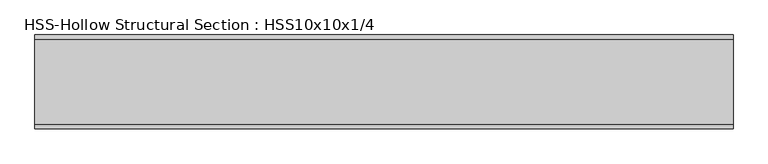
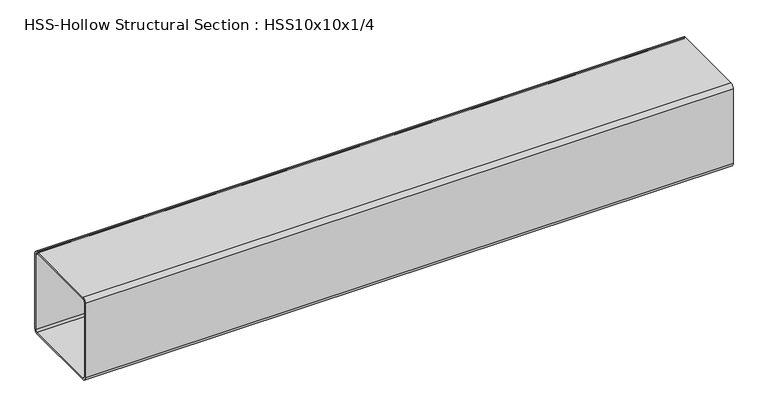
"""IFC4 building model written with IfcOpenShell, lengths in millimetres: beam geometry, HSS-Hollow Structural Section : HSS10x10x1/4."""

from ifc_helpers import new_model, si_unit, point, frame, frame_2d, origin, place, context, project, spatial, polyline, circle_curve, trimmed, segment, composite_curve, outline, extrude, source, transform, mapped, element, save


def hss_hollow_structural_section_hss10x10x1_4_11012b95(model_context):
    return source(origin(), model_context, "Body", "SweptSolid", [
        extrude(outline(composite_curve([segment(polyline([(127.0, 115.1636), (127.0, -115.1636)]), True, "CONTINUOUS"), segment(trimmed(circle_curve(frame_2d((115.1636, -115.1636)), 11.8364), [point((127.0, -115.1636))], [point((115.1636, -127.0))], False, "CARTESIAN"), True, "CONTINUOUS"), segment(polyline([(115.1636, -127.0), (-115.1636, -127.0)]), True, "CONTINUOUS"), segment(trimmed(circle_curve(frame_2d((-115.1636, -115.1636)), 11.8364), [point((-115.1636, -127.0))], [point((-127.0, -115.1636))], False, "CARTESIAN"), True, "CONTINUOUS"), segment(polyline([(-127.0, -115.1636), (-127.0, 115.1636)]), True, "CONTINUOUS"), segment(trimmed(circle_curve(frame_2d((-115.1636, 115.1636)), 11.8364), [point((-127.0, 115.1636))], [point((-115.1636, 127.0))], False, "CARTESIAN"), True, "CONTINUOUS"), segment(polyline([(-115.1636, 127.0), (115.1636, 127.0)]), True, "CONTINUOUS"), segment(trimmed(circle_curve(frame_2d((115.1636, 115.1636)), 11.8364), [point((115.1636, 127.0))], [point((127.0, 115.1636))], False, "CARTESIAN"), True, "CONTINUOUS")], self_intersect=False), holes=[composite_curve([segment(trimmed(circle_curve(frame_2d((-115.1636, 115.1636)), 5.9182), [point((-115.1636, 121.0818))], [point((-121.0818, 115.1636))], True, "CARTESIAN"), True, "CONTINUOUS"), segment(polyline([(-121.0818, 115.1636), (-121.0818, -115.1636)]), True, "CONTINUOUS"), segment(trimmed(circle_curve(frame_2d((-115.1636, -115.1636)), 5.9182), [point((-121.0818, -115.1636))], [point((-115.1636, -121.0818))], True, "CARTESIAN"), True, "CONTINUOUS"), segment(polyline([(-115.1636, -121.0818), (115.1636, -121.0818)]), True, "CONTINUOUS"), segment(trimmed(circle_curve(frame_2d((115.1636, -115.1636)), 5.9182), [point((115.1636, -121.0818))], [point((121.0818, -115.1636))], True, "CARTESIAN"), True, "CONTINUOUS"), segment(polyline([(121.0818, -115.1636), (121.0818, 115.1636)]), True, "CONTINUOUS"), segment(trimmed(circle_curve(frame_2d((115.1636, 115.1636)), 5.9182), [point((121.0818, 115.1636))], [point((115.1636, 121.0818))], True, "CARTESIAN"), True, "CONTINUOUS"), segment(polyline([(115.1636, 121.0818), (-115.1636, 121.0818)]), True, "CONTINUOUS")], self_intersect=False)]), frame((-955.568052, 0.0, 0.0), z_axis=(1.0, 0.0, 0.0), x_axis=(0.0, 1.0, 0.0)), (0.0, 0.0, 1.0), 1889.5645161),
    ])


if __name__ == "__main__":
    model = new_model("IFC4")
    model_context = context("Model", 3, world=origin())
    ifc_project = project(units=[si_unit("LENGTHUNIT", "METRE", prefix="MILLI")], contexts=[model_context])
    site = spatial("IfcSite", under=ifc_project)
    building = spatial("IfcBuilding", under=site)
    placement = place(None, origin())
    hss_hollow_structural_section_hss10x10x1_4_shape = hss_hollow_structural_section_hss10x10x1_4_11012b95(model_context)
    element("IfcBeam", 1, ObjectType="HSS-Hollow Structural Section : HSS10x10x1/4", at=placement, inside=building, context=model_context, shape_type="MappedRepresentation", body=[
        mapped(hss_hollow_structural_section_hss10x10x1_4_shape, transform((0.0, 0.0, 0.0), x_axis=(1.0, 0.0, 0.0), y_axis=(0.0, 1.0, 0.0), z_axis=(0.0, 0.0, 1.0))),
    ])
    save(model, "model.ifc")
